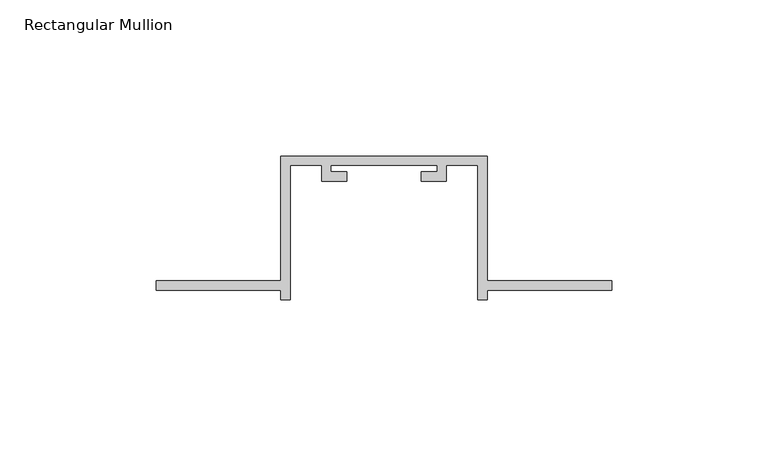
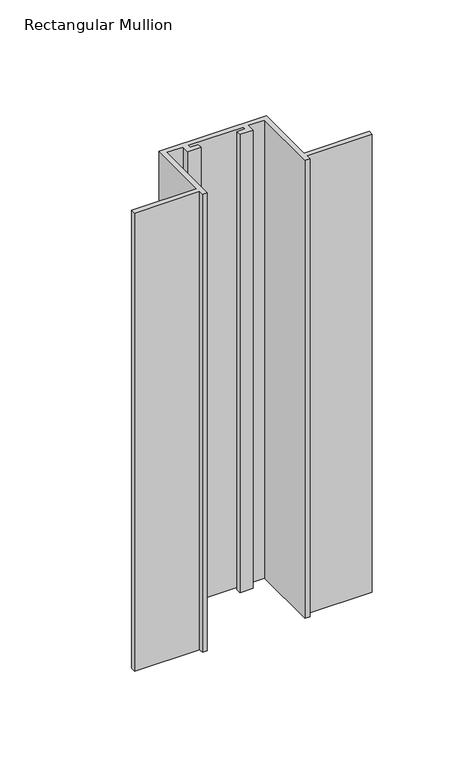
"""IFC4 building model written with IfcOpenShell, lengths in millimetres: member geometry, Rectangular Mullion."""

from ifc_helpers import new_model, si_unit, frame, origin, place, context, project, spatial, polyline, outline, extrude, source, transform, mapped, element, save


def rectangular_mullion_ed4deb4d(model_context):
    return source(origin(), model_context, "Body", "SweptSolid", [
        extrude(outline(polyline([(-106.0, -132.0), (-146.0, -132.0), (-146.0, -129.0), (-106.0, -129.0), (-106.0, -89.0), (-40.0, -89.0), (-40.0, -129.0), (0.0, -129.0), (0.0, -132.0), (-40.0, -132.0), (-40.0, -135.0), (-43.0, -135.0), (-43.0, -92.0), (-53.0, -92.0), (-53.0, -97.0), (-61.0, -97.0), (-61.0, -94.0), (-56.0, -94.0), (-56.0, -92.0), (-90.0, -92.0), (-90.0, -94.0), (-85.0, -94.0), (-85.0, -97.0), (-93.0, -97.0), (-93.0, -92.0), (-103.0, -92.0), (-103.0, -135.0), (-106.0, -135.0), (-106.0, -132.0)])), frame((0.0, 0.0, -297.1692572), z_axis=(0.0, 0.0, 1.0), x_axis=(1.0, 0.0, 0.0)), (0.0, 0.0, 1.0), 297.1692572),
    ])


if __name__ == "__main__":
    model = new_model("IFC4")
    model_context = context("Model", 3, world=origin())
    ifc_project = project(units=[si_unit("LENGTHUNIT", "METRE", prefix="MILLI")], contexts=[model_context])
    site = spatial("IfcSite", under=ifc_project)
    building = spatial("IfcBuilding", under=site)
    placement = place(None, origin())
    rectangular_mullion_shape = rectangular_mullion_ed4deb4d(model_context)
    element("IfcMember", 1, ObjectType="Rectangular Mullion", at=placement, inside=building, context=model_context, shape_type="MappedRepresentation", body=[
        mapped(rectangular_mullion_shape, transform((0.0, 0.0, 0.0), x_axis=(1.0, 0.0, 0.0), y_axis=(0.0, 1.0, 0.0), z_axis=(0.0, 0.0, 1.0))),
    ])
    save(model, "model.ifc")
